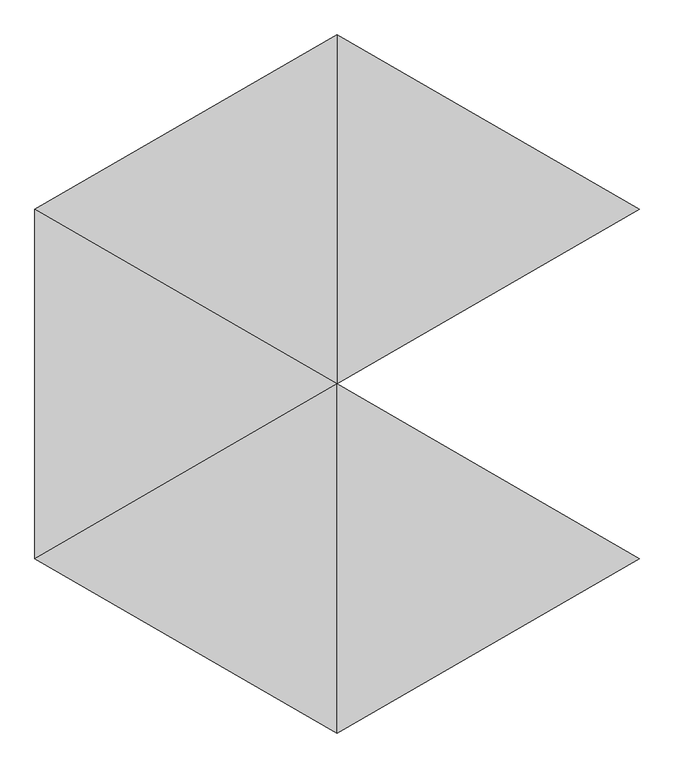
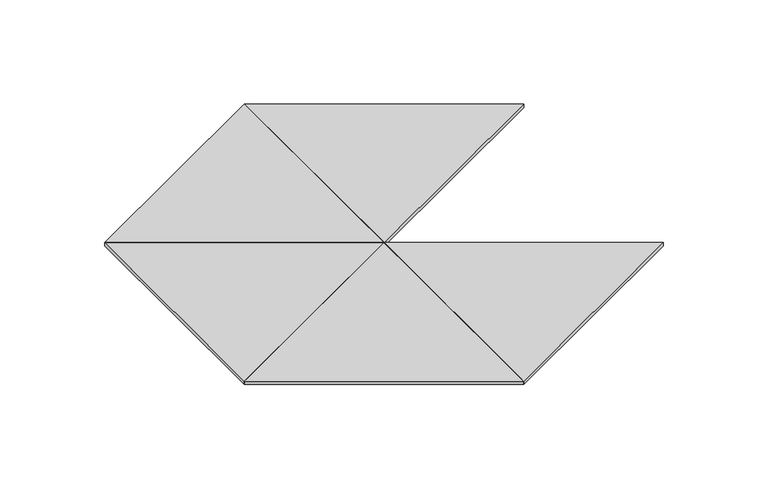
"""IFC4 building model written with IfcOpenShell, lengths in millimetres: proxy geometry."""

from ifc_helpers import new_model, si_unit, origin, origin_with_axes, place, context, project, spatial, polyline, outline, extrude, source, transform, mapped, element, save


def generic_models_1ff9029f(model_context):
    return source(origin(), model_context, "Body", "SweptSolid", [
        extrude(outline(polyline([(606.2177826, -350.0), (0.0, -700.0), (0.0, 0.0), (606.2177826, -350.0)])), origin_with_axes(), (0.0, 0.0, 1.0), 10.0),
        extrude(outline(polyline([(0.0, 0.0), (0.0, -700.0), (-606.2177826, -350.0), (0.0, 0.0)])), origin_with_axes(), (0.0, 0.0, 1.0), 10.0),
        extrude(outline(polyline([(-606.2177826, -350.0), (-606.2177826, 350.0), (0.0, 0.0), (-606.2177826, -350.0)])), origin_with_axes(), (0.0, 0.0, 1.0), 10.0),
        extrude(outline(polyline([(0.0, 0.0), (-606.2177826, 350.0), (0.0, 700.0), (0.0, 0.0)])), origin_with_axes(), (0.0, 0.0, 1.0), 10.0),
        extrude(outline(polyline([(606.2177826, 350.0), (0.0, 0.0), (0.0, 700.0), (606.2177826, 350.0)])), origin_with_axes(), (0.0, 0.0, 1.0), 10.0),
    ])


if __name__ == "__main__":
    model = new_model("IFC4")
    model_context = context("Model", 3, world=origin())
    ifc_project = project(units=[si_unit("LENGTHUNIT", "METRE", prefix="MILLI")], contexts=[model_context])
    site = spatial("IfcSite", under=ifc_project)
    building = spatial("IfcBuilding", under=site)
    placement = place(None, origin())
    generic_models_shape = generic_models_1ff9029f(model_context)
    element("IfcBuildingElementProxy", 1, Name="Generic Models", at=placement, inside=building, context=model_context, shape_type="MappedRepresentation", body=[
        mapped(generic_models_shape, transform((0.0, 0.0, 0.0), x_axis=(1.0, 0.0, 0.0), y_axis=(0.0, 1.0, 0.0), z_axis=(0.0, 0.0, 1.0))),
    ])
    save(model, "model.ifc")
